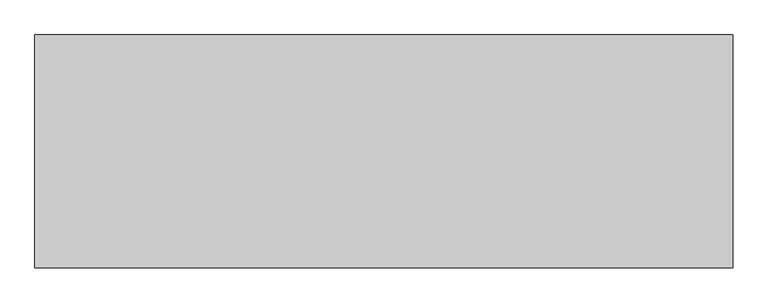
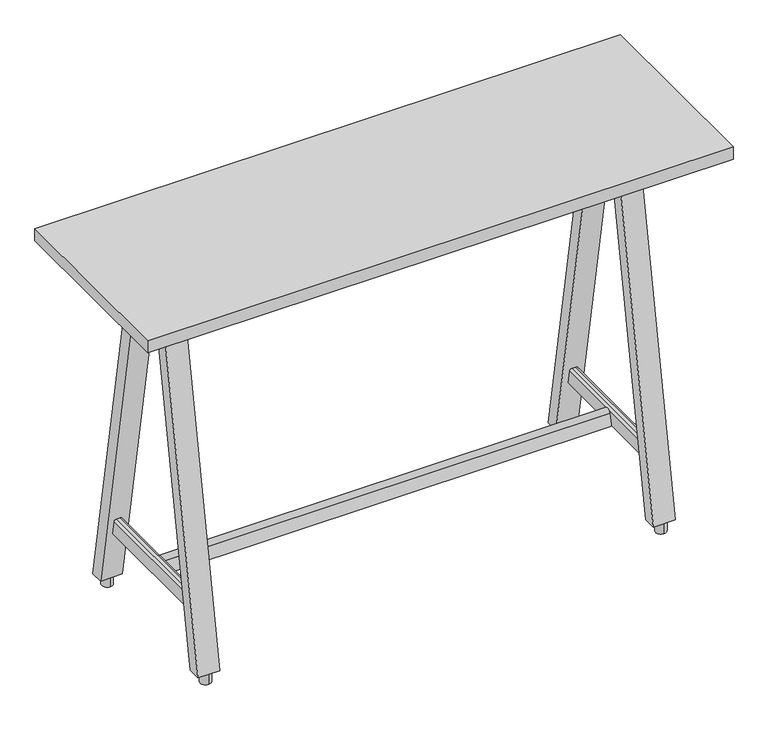
"""IFC4 building model written with IfcOpenShell, lengths in millimetres: furniture geometry."""

from ifc_helpers import new_model, si_unit, point, frame, frame_2d, origin, origin_with_axes, place, context, project, spatial, polyline, circle_curve, ellipse_curve, trimmed, segment, composite_curve, outline, extrude, source, transform, mapped, element, save
from ifc_brep_helpers import plane_surface, cylinder_surface, advanced_brep


def furniture_838eb611(model_context):
    return source(origin(), model_context, "Body", "SolidModel", [
        advanced_brep(
        [(466.8204248, 312.5939329, 150.8125), (466.8204248, 306.768117, 183.8523438), (466.8204248, -1.968117, 183.8523438), (466.8204248, -7.7939329, 150.8125), (461.7602685, 305.8758749, 188.9125), (461.7602685, -1.0758749, 188.9125), (452.8504157, 305.8758749, 188.9125), (452.8504157, -1.0758749, 188.9125), (447.7704157, 306.771616, 183.8325), (447.7704157, -1.971616, 183.8325), (447.7704157, 312.5939329, 150.8125), (447.7704157, -7.7939329, 150.8125), (431.8, 334.7075404, 25.4), (431.8, 184.6709125, 876.3), (431.8, 215.2987177, 876.3), (431.8, 365.3353456, 25.4), (482.6, 334.7075404, 25.4), (482.6, 365.3353456, 25.4), (482.6, 215.2987177, 876.3), (482.6, 184.6709125, 876.3), (431.8, -29.9075404, 25.4), (431.8, -60.5353456, 25.4), (431.8, 89.5012823, 876.3), (431.8, 120.1290875, 876.3), (482.6, -29.9075404, 25.4), (482.6, 120.1290875, 876.3), (482.6, 89.5012823, 876.3), (482.6, -60.5353456, 25.4)],
        [
            (0, 1),
            (1, 2),
            (2, 3),
            (3, 0),
            (1, 4, ellipse_curve(frame((461.7602685, 306.768117, 183.8523438), z_axis=(0.0, -0.9848077530122079, -0.17364817766693158), x_axis=(0.0, -0.1736481776669305, 0.9848077530122081)), 5.1382173, 5.0601563)),
            (4, 5),
            (5, 2, ellipse_curve(frame((461.7602685, -1.968117, 183.8523438), z_axis=(0.0, 0.9848077530122079, -0.17364817766693155), x_axis=(0.0, -0.17364817766693139, -0.9848077530122078)), 5.1382173, 5.0601563)),
            (4, 6),
            (6, 7),
            (7, 5),
            (6, 8, ellipse_curve(frame((452.8504157, 306.771616, 183.8325), z_axis=(0.0, -0.9848077530122079, -0.17364817766693158), x_axis=(0.0, -0.1736481776669305, 0.9848077530122081)), 5.1583672, 5.08)),
            (8, 9),
            (9, 7, ellipse_curve(frame((452.8504157, -1.971616, 183.8325), z_axis=(0.0, 0.9848077530122079, -0.17364817766693155), x_axis=(0.0, -0.17364817766693139, -0.9848077530122078)), 5.1583672, 5.08)),
            (8, 10),
            (10, 11),
            (11, 9),
            (10, 0),
            (3, 11),
            (12, 13),
            (13, 14),
            (14, 15),
            (15, 12),
            (16, 17),
            (17, 18),
            (18, 19),
            (19, 16),
            (15, 17),
            (16, 12),
            (14, 18),
            (13, 19),
            (20, 21),
            (21, 22),
            (22, 23),
            (23, 20),
            (24, 25),
            (25, 26),
            (26, 27),
            (27, 24),
            (20, 24),
            (27, 21),
            (26, 22),
            (25, 23),
        ],
        [
            plane_surface(frame((466.8204248, -18.9906962, 150.8125), z_axis=(1.0, 0.0, 0.0), x_axis=(0.0, 1.0, 0.0))),
            cylinder_surface(frame((461.7602685, 323.7906962, 183.8523438), z_axis=(0.0, -1.0, 0.0), x_axis=(1.0, 0.0, 0.0)), 5.0601563),
            plane_surface(frame((461.7602685, -18.9906962, 188.9125), z_axis=(0.0, 0.0, 1.0), x_axis=(0.0, 1.0, 0.0))),
            cylinder_surface(frame((452.8504157, 323.7906962, 183.8325), z_axis=(0.0, -1.0, 0.0), x_axis=(1.0, 0.0, 0.0)), 5.08),
            plane_surface(frame((447.7704157, -18.9906962, 183.8325), z_axis=(-1.0, 0.0, 0.0), x_axis=(0.0, 1.0, 0.0))),
            plane_surface(frame((447.7704157, -18.9906962, 150.8125), z_axis=(0.0, 0.0, -1.0), x_axis=(0.0, 1.0, 0.0))),
            plane_surface(frame((431.8, 334.7075404, 25.4), z_axis=(-1.0000000000000002, 0.0, 0.0), x_axis=(0.0, -0.17364817766693158, 0.9848077530122079))),
            plane_surface(frame((482.6, 334.7075404, 25.4), z_axis=(1.0000000000000002, 0.0, 0.0), x_axis=(0.0, 0.17364817766693158, -0.9848077530122079))),
            plane_surface(frame((431.8, 365.3353456, 25.4), z_axis=(0.0, 0.0, -1.0), x_axis=(1.0, 0.0, 0.0))),
            plane_surface(frame((431.8, 215.2987177, 876.3), z_axis=(0.0, 0.9848077530122079, 0.17364817766693166), x_axis=(1.0, 0.0, 0.0))),
            plane_surface(frame((431.8, 184.6709125, 876.3), z_axis=(0.0, 0.0, 1.0), x_axis=(1.0, 0.0, 0.0))),
            plane_surface(frame((431.8, 334.7075404, 25.4), z_axis=(0.0, -0.9848077530122079, -0.17364817766693158), x_axis=(1.0, 0.0, 0.0))),
            plane_surface(frame((431.8, -60.5353456, 25.4), z_axis=(-1.0, 0.0, 0.0), x_axis=(0.0, -1.0, 0.0))),
            plane_surface(frame((482.6, -60.5353456, 25.4), z_axis=(1.0, 0.0, 0.0), x_axis=(0.0, 1.0, 0.0))),
            plane_surface(frame((431.8, -29.9075404, 25.4), z_axis=(0.0, 0.0, -1.0), x_axis=(1.0, 0.0, 0.0))),
            plane_surface(frame((431.8, -60.5353456, 25.4), z_axis=(0.0, -0.9848077530122079, 0.17364817766693152), x_axis=(1.0, 0.0, 0.0))),
            plane_surface(frame((431.8, 89.5012823, 876.3), z_axis=(0.0, 0.0, 1.0), x_axis=(1.0, 0.0, 0.0))),
            plane_surface(frame((431.8, 120.1290875, 876.3), z_axis=(0.0, 0.9848077530122079, -0.17364817766693155), x_axis=(1.0, 0.0, 0.0))),
        ],
        [
            (0, [[1, 2, 3, 4]]),
            (1, [[5, 6, 7, -2]]),
            (2, [[8, 9, 10, -6]]),
            (3, [[11, 12, 13, -9]]),
            (4, [[14, 15, 16, -12]]),
            (5, [[17, -4, 18, -15]]),
            (6, [[19, 20, 21, 22]]),
            (7, [[23, 24, 25, 26]]),
            (8, [[-22, 27, -23, 28]]),
            (9, [[-21, 29, -24, -27]]),
            (10, [[-20, 30, -25, -29]]),
            (11, [[-19, -28, -26, -30], [-1, -17, -14, -11, -8, -5]]),
            (12, [[31, 32, 33, 34]]),
            (13, [[35, 36, 37, 38]]),
            (14, [[-31, 39, -38, 40]]),
            (15, [[-32, -40, -37, 41]]),
            (16, [[-33, -41, -36, 42]]),
            (17, [[-34, -42, -35, -39], [-3, -7, -10, -13, -16, -18]]),
        ],
    ),
        extrude(outline(composite_curve([segment(trimmed(circle_curve(frame_2d((457.2, 351.7703837)), 12.7), [point((457.2, 339.0703837))], [point((457.2, 364.4703837))], False, "CARTESIAN"), True, "CONTINUOUS"), segment(trimmed(circle_curve(frame_2d((457.2, 351.7703837)), 12.7), [point((457.2, 364.4703837))], [point((457.2, 339.0703837))], False, "CARTESIAN"), True, "CONTINUOUS")], self_intersect=False)), origin_with_axes(), (0.0, 0.0, 1.0), 25.4),
        extrude(outline(composite_curve([segment(trimmed(circle_curve(frame_2d((457.2, -46.9703837)), 12.7), [point((457.2, -34.2703837))], [point((457.2, -59.6703837))], False, "CARTESIAN"), True, "CONTINUOUS"), segment(trimmed(circle_curve(frame_2d((457.2, -46.9703837)), 12.7), [point((457.2, -59.6703837))], [point((457.2, -34.2703837))], False, "CARTESIAN"), True, "CONTINUOUS")], self_intersect=False)), origin_with_axes(), (0.0, 0.0, 1.0), 25.4),
        extrude(outline(composite_curve([segment(trimmed(circle_curve(frame_2d((520.7954127, 247.6498668)), 6.35), [point((520.7954127, 253.9998668))], [point((527.1454127, 247.6498668))], False, "CARTESIAN"), True, "CONTINUOUS"), segment(polyline([(527.1454127, 247.6498668), (527.1454127, 57.1498698)]), True, "CONTINUOUS"), segment(trimmed(circle_curve(frame_2d((520.7954127, 57.1498698)), 6.35), [point((527.1454127, 57.1498698))], [point((520.7954127, 50.7998698))], False, "CARTESIAN"), True, "CONTINUOUS"), segment(polyline([(520.7954127, 50.7998698), (393.7954187, 50.7998698)]), True, "CONTINUOUS"), segment(trimmed(circle_curve(frame_2d((393.7954187, 57.1498698)), 6.35), [point((393.7954187, 50.7998698))], [point((387.4454187, 57.1498698))], False, "CARTESIAN"), True, "CONTINUOUS"), segment(polyline([(387.4454187, 57.1498698), (387.4454187, 247.6498668)]), True, "CONTINUOUS"), segment(trimmed(circle_curve(frame_2d((393.7954187, 247.6498668)), 6.35), [point((387.4454187, 247.6498668))], [point((393.7954187, 253.9998668))], False, "CARTESIAN"), True, "CONTINUOUS"), segment(polyline([(393.7954187, 253.9998668), (520.7954127, 253.9998668)]), True, "CONTINUOUS")], self_intersect=False)), frame((0.0, 0.0, 876.3), z_axis=(0.0, 0.0, 1.0), x_axis=(1.0, 0.0, 0.0)), (0.0, 0.0, 1.0), 7.9375),
        advanced_brep(
        [(-599.9795752, 312.5939329, 150.8125), (-599.9795752, 306.768117, 183.8523438), (-599.9795752, -1.968117, 183.8523438), (-599.9795752, -7.7939329, 150.8125), (-605.0397315, 305.8758749, 188.9125), (-605.0397315, -1.0758749, 188.9125), (-613.9495843, 305.8758749, 188.9125), (-613.9495843, -1.0758749, 188.9125), (-619.0295843, 306.771616, 183.8325), (-619.0295843, -1.971616, 183.8325), (-619.0295843, 312.5939329, 150.8125), (-619.0295843, -7.7939329, 150.8125), (-635.0, 334.7075404, 25.4), (-635.0, 184.6709125, 876.3), (-635.0, 215.2987177, 876.3), (-635.0, 365.3353456, 25.4), (-584.2, 334.7075404, 25.4), (-584.2, 365.3353456, 25.4), (-584.2, 215.2987177, 876.3), (-584.2, 184.6709125, 876.3), (-635.0, -29.9075404, 25.4), (-635.0, -60.5353456, 25.4), (-635.0, 89.5012823, 876.3), (-635.0, 120.1290875, 876.3), (-584.2, -29.9075404, 25.4), (-584.2, 120.1290875, 876.3), (-584.2, 89.5012823, 876.3), (-584.2, -60.5353456, 25.4)],
        [
            (0, 1),
            (1, 2),
            (2, 3),
            (3, 0),
            (1, 4, ellipse_curve(frame((-605.0397315, 306.768117, 183.8523438), z_axis=(0.0, -0.9848077530122079, -0.17364817766693158), x_axis=(0.0, -0.1736481776669305, 0.9848077530122081)), 5.1382173, 5.0601563)),
            (4, 5),
            (5, 2, ellipse_curve(frame((-605.0397315, -1.968117, 183.8523438), z_axis=(0.0, 0.9848077530122079, -0.17364817766693155), x_axis=(0.0, -0.17364817766693139, -0.9848077530122078)), 5.1382173, 5.0601563)),
            (4, 6),
            (6, 7),
            (7, 5),
            (6, 8, ellipse_curve(frame((-613.9495843, 306.771616, 183.8325), z_axis=(0.0, -0.9848077530122079, -0.17364817766693158), x_axis=(0.0, -0.1736481776669305, 0.9848077530122081)), 5.1583672, 5.08)),
            (8, 9),
            (9, 7, ellipse_curve(frame((-613.9495843, -1.971616, 183.8325), z_axis=(0.0, 0.9848077530122079, -0.17364817766693155), x_axis=(0.0, -0.17364817766693139, -0.9848077530122078)), 5.1583672, 5.08)),
            (8, 10),
            (10, 11),
            (11, 9),
            (10, 0),
            (3, 11),
            (12, 13),
            (13, 14),
            (14, 15),
            (15, 12),
            (16, 17),
            (17, 18),
            (18, 19),
            (19, 16),
            (15, 17),
            (16, 12),
            (14, 18),
            (13, 19),
            (20, 21),
            (21, 22),
            (22, 23),
            (23, 20),
            (24, 25),
            (25, 26),
            (26, 27),
            (27, 24),
            (20, 24),
            (27, 21),
            (26, 22),
            (25, 23),
        ],
        [
            plane_surface(frame((-599.9795752, -18.9906962, 150.8125), z_axis=(1.0, 0.0, 0.0), x_axis=(0.0, 1.0, 0.0))),
            cylinder_surface(frame((-605.0397315, 323.7906962, 183.8523438), z_axis=(0.0, -1.0, 0.0), x_axis=(1.0, 0.0, 0.0)), 5.0601563),
            plane_surface(frame((-605.0397315, -18.9906962, 188.9125), z_axis=(0.0, 0.0, 1.0), x_axis=(0.0, 1.0, 0.0))),
            cylinder_surface(frame((-613.9495843, 323.7906962, 183.8325), z_axis=(0.0, -1.0, 0.0), x_axis=(1.0, 0.0, 0.0)), 5.08),
            plane_surface(frame((-619.0295843, -18.9906962, 183.8325), z_axis=(-1.0, 0.0, 0.0), x_axis=(0.0, 1.0, 0.0))),
            plane_surface(frame((-619.0295843, -18.9906962, 150.8125), z_axis=(0.0, 0.0, -1.0), x_axis=(0.0, 1.0, 0.0))),
            plane_surface(frame((-635.0, 334.7075404, 25.4), z_axis=(-1.0000000000000002, 0.0, 0.0), x_axis=(0.0, -0.17364817766693158, 0.9848077530122079))),
            plane_surface(frame((-584.2, 334.7075404, 25.4), z_axis=(1.0000000000000002, 0.0, 0.0), x_axis=(0.0, 0.17364817766693158, -0.9848077530122079))),
            plane_surface(frame((-635.0, 365.3353456, 25.4), z_axis=(0.0, 0.0, -1.0), x_axis=(1.0, 0.0, 0.0))),
            plane_surface(frame((-635.0, 215.2987177, 876.3), z_axis=(0.0, 0.9848077530122079, 0.17364817766693166), x_axis=(1.0, 0.0, 0.0))),
            plane_surface(frame((-635.0, 184.6709125, 876.3), z_axis=(0.0, 0.0, 1.0), x_axis=(1.0, 0.0, 0.0))),
            plane_surface(frame((-635.0, 334.7075404, 25.4), z_axis=(0.0, -0.9848077530122079, -0.17364817766693158), x_axis=(1.0, 0.0, 0.0))),
            plane_surface(frame((-635.0, -60.5353456, 25.4), z_axis=(-1.0, 0.0, 0.0), x_axis=(0.0, -1.0, 0.0))),
            plane_surface(frame((-584.2, -60.5353456, 25.4), z_axis=(1.0, 0.0, 0.0), x_axis=(0.0, 1.0, 0.0))),
            plane_surface(frame((-635.0, -29.9075404, 25.4), z_axis=(0.0, 0.0, -1.0), x_axis=(1.0, 0.0, 0.0))),
            plane_surface(frame((-635.0, -60.5353456, 25.4), z_axis=(0.0, -0.9848077530122079, 0.17364817766693152), x_axis=(1.0, 0.0, 0.0))),
            plane_surface(frame((-635.0, 89.5012823, 876.3), z_axis=(0.0, 0.0, 1.0), x_axis=(1.0, 0.0, 0.0))),
            plane_surface(frame((-635.0, 120.1290875, 876.3), z_axis=(0.0, 0.9848077530122079, -0.17364817766693155), x_axis=(1.0, 0.0, 0.0))),
        ],
        [
            (0, [[1, 2, 3, 4]]),
            (1, [[5, 6, 7, -2]]),
            (2, [[8, 9, 10, -6]]),
            (3, [[11, 12, 13, -9]]),
            (4, [[14, 15, 16, -12]]),
            (5, [[17, -4, 18, -15]]),
            (6, [[19, 20, 21, 22]]),
            (7, [[23, 24, 25, 26]]),
            (8, [[-22, 27, -23, 28]]),
            (9, [[-21, 29, -24, -27]]),
            (10, [[-20, 30, -25, -29]]),
            (11, [[-19, -28, -26, -30], [-1, -17, -14, -11, -8, -5]]),
            (12, [[31, 32, 33, 34]]),
            (13, [[35, 36, 37, 38]]),
            (14, [[-31, 39, -38, 40]]),
            (15, [[-32, -40, -37, 41]]),
            (16, [[-33, -41, -36, 42]]),
            (17, [[-34, -42, -35, -39], [-3, -7, -10, -13, -16, -18]]),
        ],
    ),
        extrude(outline(composite_curve([segment(trimmed(circle_curve(frame_2d((-609.6, 351.7703837)), 12.7), [point((-609.6, 339.0703837))], [point((-609.6, 364.4703837))], False, "CARTESIAN"), True, "CONTINUOUS"), segment(trimmed(circle_curve(frame_2d((-609.6, 351.7703837)), 12.7), [point((-609.6, 364.4703837))], [point((-609.6, 339.0703837))], False, "CARTESIAN"), True, "CONTINUOUS")], self_intersect=False)), origin_with_axes(), (0.0, 0.0, 1.0), 25.4),
        extrude(outline(composite_curve([segment(trimmed(circle_curve(frame_2d((-609.6, -46.9703837)), 12.7), [point((-609.6, -34.2703837))], [point((-609.6, -59.6703837))], False, "CARTESIAN"), True, "CONTINUOUS"), segment(trimmed(circle_curve(frame_2d((-609.6, -46.9703837)), 12.7), [point((-609.6, -59.6703837))], [point((-609.6, -34.2703837))], False, "CARTESIAN"), True, "CONTINUOUS")], self_intersect=False)), origin_with_axes(), (0.0, 0.0, 1.0), 25.4),
        extrude(outline(composite_curve([segment(trimmed(circle_curve(frame_2d((-546.0045873, 247.6498668)), 6.35), [point((-546.0045873, 253.9998668))], [point((-539.6545873, 247.6498668))], False, "CARTESIAN"), True, "CONTINUOUS"), segment(polyline([(-539.6545873, 247.6498668), (-539.6545873, 57.1498698)]), True, "CONTINUOUS"), segment(trimmed(circle_curve(frame_2d((-546.0045873, 57.1498698)), 6.35), [point((-539.6545873, 57.1498698))], [point((-546.0045873, 50.7998698))], False, "CARTESIAN"), True, "CONTINUOUS"), segment(polyline([(-546.0045873, 50.7998698), (-673.0045813, 50.7998698)]), True, "CONTINUOUS"), segment(trimmed(circle_curve(frame_2d((-673.0045813, 57.1498698)), 6.35), [point((-673.0045813, 50.7998698))], [point((-679.3545813, 57.1498698))], False, "CARTESIAN"), True, "CONTINUOUS"), segment(polyline([(-679.3545813, 57.1498698), (-679.3545813, 247.6498668)]), True, "CONTINUOUS"), segment(trimmed(circle_curve(frame_2d((-673.0045813, 247.6498668)), 6.35), [point((-679.3545813, 247.6498668))], [point((-673.0045813, 253.9998668))], False, "CARTESIAN"), True, "CONTINUOUS"), segment(polyline([(-673.0045813, 253.9998668), (-546.0045873, 253.9998668)]), True, "CONTINUOUS")], self_intersect=False)), frame((0.0, 0.0, 876.3), z_axis=(0.0, 0.0, 1.0), x_axis=(1.0, 0.0, 0.0)), (0.0, 0.0, 1.0), 7.9375),
        extrude(outline(composite_curve([segment(polyline([(169.545, 150.8125), (135.255, 150.8125), (142.6507542, 178.4138305)]), True, "CONTINUOUS"), segment(trimmed(circle_curve(frame_2d((152.4, 175.801528)), 10.0931619), [point((142.6507542, 178.4138305))], [point((162.1492458, 178.4138305))], False, "CARTESIAN"), True, "CONTINUOUS"), segment(polyline([(162.1492458, 178.4138305), (169.545, 150.8125)]), True, "CONTINUOUS")], self_intersect=False)), frame((-609.6, 0.0, 0.0), z_axis=(1.0, 0.0, 0.0), x_axis=(0.0, 1.0, 0.0)), (0.0, 0.0, 1.0), 1066.8),
        extrude(outline(polyline([(609.6, 381.0), (609.6, -76.2), (-762.0, -76.2), (-762.0, 381.0), (609.6, 381.0)])), frame((0.0, 0.0, 884.2375), z_axis=(0.0, 0.0, 1.0), x_axis=(1.0, 0.0, 0.0)), (0.0, 0.0, 1.0), 30.1625),
    ])


if __name__ == "__main__":
    model = new_model("IFC4")
    model_context = context("Model", 3, world=origin())
    ifc_project = project(units=[si_unit("LENGTHUNIT", "METRE", prefix="MILLI")], contexts=[model_context])
    site = spatial("IfcSite", under=ifc_project)
    building = spatial("IfcBuilding", under=site)
    placement = place(None, origin())
    furniture_shape = furniture_838eb611(model_context)
    element("IfcFurniture", 1, at=placement, inside=building, context=model_context, shape_type="MappedRepresentation", body=[
        mapped(furniture_shape, transform((0.0, 0.0, 0.0), x_axis=(1.0, 0.0, 0.0), y_axis=(0.0, 1.0, 0.0), z_axis=(0.0, 0.0, 1.0))),
    ])
    save(model, "model.ifc")
